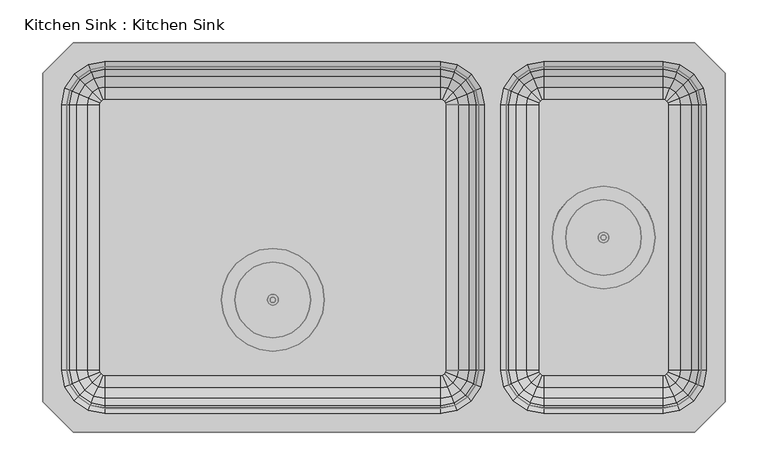
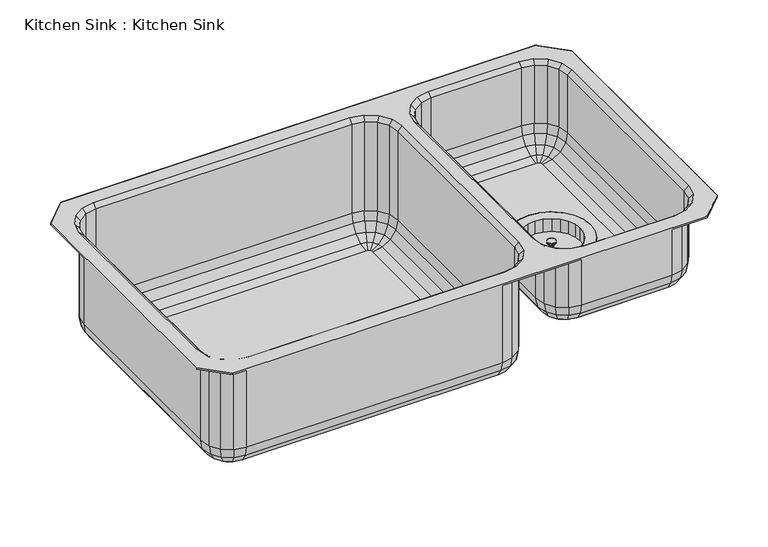
"""IFC4 building model written with IfcOpenShell, lengths in millimetres: flow terminal geometry, Kitchen Sink : Kitchen Sink."""

from ifc_helpers import new_model, si_unit, origin, place, context, project, spatial, triangles, source, transform, mapped, element, save


def kitchen_sink_kitchen_sink_0b4e4ec1(model_context):
    return source(origin(), model_context, "Body", "Tessellation", [
        triangles([(660.5270514, 228.5999818, 63.4999985), (660.5270514, 228.5999818, 50.8000015), (660.4188457, 227.7782297, 50.8000015), (660.4188457, 227.7782297, 63.4999985), (701.8020029, 228.5999818, 50.8000015), (701.8020029, 228.5999818, 71.4375), (700.2874151, 217.0954697, 71.4375), (700.2874151, 217.0954697, 50.8000015), (660.1016413, 227.0124697, 50.8000015), (660.1016413, 227.0124697, 63.4999985), (695.8468431, 206.3749758, 71.4375), (695.8468431, 206.3749758, 50.8000015), (659.5970936, 226.3549154, 50.8000015), (659.5970936, 226.3549154, 63.4999985), (688.7829575, 197.1690697, 71.4375), (688.7829575, 197.1690697, 50.8000015), (658.9395029, 225.8503495, 50.8000015), (658.9395029, 225.8503495, 63.4999985), (679.5770514, 190.1051476, 71.4375), (679.5770514, 190.1051476, 50.8000015), (658.1737793, 225.5331632, 50.8000015), (658.1737793, 225.5331632, 63.4999985), (668.8565575, 185.6645757, 71.4375), (668.8565575, 185.6645757, 50.8000015), (657.3520271, 225.4249758, 50.8000015), (657.3520271, 225.4249758, 63.4999985), (657.3520271, 184.1499697, 71.4375), (657.3520271, 184.1499697, 50.8000015), (656.530275, 225.5331632, 50.8000015), (656.530275, 225.5331632, 63.4999985), (645.8474968, 185.6645757, 71.4375), (645.8474968, 185.6645757, 50.8000015), (655.7645514, 225.8503495, 50.8000015), (655.7645514, 225.8503495, 63.4999985), (635.1270029, 190.1051476, 71.4375), (635.1270029, 190.1051476, 50.8000015), (655.1069607, 226.3549154, 50.8000015), (655.1069607, 226.3549154, 63.4999985), (625.9210968, 197.1690697, 71.4375), (625.9210968, 197.1690697, 50.8000015), (654.602413, 227.0124697, 50.8000015), (654.602413, 227.0124697, 63.4999985), (618.8572111, 206.3749758, 71.4375), (618.8572111, 206.3749758, 50.8000015), (654.2852085, 227.7782297, 50.8000015), (654.2852085, 227.7782297, 63.4999985), (614.4166391, 217.0954697, 71.4375), (614.4166391, 217.0954697, 50.8000015), (654.1770029, 228.5999818, 50.8000015), (654.1770029, 228.5999818, 63.4999985), (612.9020514, 228.5999818, 71.4375), (612.9020514, 228.5999818, 50.8000015), (654.2852085, 229.421734, 50.8000015), (654.2852085, 229.421734, 63.4999985), (614.4166391, 240.1044758, 71.4375), (614.4166391, 240.1044758, 50.8000015), (654.602413, 230.1874758, 50.8000015), (654.602413, 230.1874758, 63.4999985), (618.8572111, 250.8249697, 71.4375), (618.8572111, 250.8249697, 50.8000015), (655.1069607, 230.8450301, 50.8000015), (655.1069607, 230.8450301, 63.4999985), (625.9210968, 260.0308758, 71.4375), (625.9210968, 260.0308758, 50.8000015), (655.7645514, 231.3496141, 50.8000015), (655.7645514, 231.3496141, 63.4999985), (635.1270029, 267.0947978, 71.4375), (635.1270029, 267.0947978, 50.8000015), (656.530275, 231.6667823, 50.8000015), (656.530275, 231.6667823, 63.4999985), (645.8474968, 271.5353698, 71.4375), (645.8474968, 271.5353698, 50.8000015), (657.3520271, 231.7749697, 50.8000015), (657.3520271, 231.7749697, 63.4999985), (657.3520271, 273.0499758, 71.4375), (657.3520271, 273.0499758, 50.8000015), (658.1737793, 231.6667823, 50.8000015), (658.1737793, 231.6667823, 63.4999985), (668.8565575, 271.5353698, 71.4375), (668.8565575, 271.5353698, 50.8000015), (658.9395029, 231.3496141, 50.8000015), (658.9395029, 231.3496141, 63.4999985), (679.5770514, 267.0947978, 71.4375), (679.5770514, 267.0947978, 50.8000015), (659.5970936, 230.8450301, 50.8000015), (659.5970936, 230.8450301, 63.4999985), (688.7829575, 260.0308758, 71.4375), (688.7829575, 260.0308758, 50.8000015), (660.1016413, 230.1874758, 50.8000015), (660.1016413, 230.1874758, 63.4999985), (695.8468431, 250.8249697, 71.4375), (695.8468431, 250.8249697, 50.8000015), (660.4188457, 229.421734, 50.8000015), (660.4188457, 229.421734, 63.4999985), (700.2874151, 240.1044758, 71.4375), (700.2874151, 240.1044758, 50.8000015), (599.082546, 244.2132367, 71.4375), (605.1090314, 258.7624758, 71.4375), (599.082546, 244.2132367, 69.8500015), (605.1090314, 258.7624758, 69.8500015), (614.6958372, 271.2561899, 71.4375), (700.008217, 271.2561899, 71.4375), (709.5949865, 258.7624758, 71.4375), (715.6215082, 244.2132367, 71.4375), (709.5949865, 258.7624758, 69.8500015), (715.6215082, 244.2132367, 69.8500015), (672.9653183, 286.8694448, 71.4375), (687.5145029, 280.8429594, 71.4375), (672.9653183, 286.8694448, 69.8500015), (687.5145029, 280.8429594, 69.8500015), (614.6958372, 271.2561899, 69.8500015), (627.1895514, 280.8429594, 69.8500015), (627.1895514, 280.8429594, 71.4375), (641.738736, 286.8694448, 69.8500015), (641.738736, 286.8694448, 71.4375), (657.3520271, 288.9249697, 69.8500015), (657.3520271, 288.9249697, 71.4375), (700.008217, 271.2561899, 69.8500015), (687.5145029, 176.3569861, 71.4375), (672.9653183, 170.3305007, 71.4375), (687.5145029, 176.3569861, 69.8500015), (672.9653183, 170.3305007, 69.8500015), (641.738736, 170.3305007, 71.4375), (627.1895514, 176.3569861, 71.4375), (614.6958372, 185.9437556, 71.4375), (627.1895514, 176.3569861, 69.8500015), (614.6958372, 185.9437556, 69.8500015), (663.7020029, 228.5999818, 66.675), (663.7020029, 228.5999818, 63.4999985), (663.4856644, 226.9564775, 63.4999985), (663.4856644, 226.9564775, 66.675), (662.8512554, 225.4249758, 63.4999985), (662.8512554, 225.4249758, 66.675), (661.84216, 224.1098489, 63.4999985), (661.84216, 224.1098489, 66.675), (660.5270514, 223.1007172, 63.4999985), (660.5270514, 223.1007172, 66.675), (658.9955315, 222.4663446, 63.4999985), (658.9955315, 222.4663446, 66.675), (657.3520271, 222.2499697, 63.4999985), (657.3520271, 222.2499697, 66.675), (655.7085228, 222.4663446, 63.4999985), (655.7085228, 222.4663446, 66.675), (654.1770029, 223.1007172, 63.4999985), (654.1770029, 223.1007172, 66.675), (652.8618942, 224.1098489, 63.4999985), (652.8618942, 224.1098489, 66.675), (651.8527988, 225.4249758, 63.4999985), (651.8527988, 225.4249758, 66.675), (651.2183899, 226.9564775, 63.4999985), (651.2183899, 226.9564775, 66.675), (651.0020514, 228.5999818, 63.4999985), (651.0020514, 228.5999818, 66.675), (651.2183899, 230.243468, 63.4999985), (651.2183899, 230.243468, 66.675), (651.8527988, 231.7749697, 63.4999985), (651.8527988, 231.7749697, 66.675), (652.8618942, 233.0900966, 63.4999985), (652.8618942, 233.0900966, 66.675), (654.1770029, 234.0992283, 63.4999985), (654.1770029, 234.0992283, 66.675), (655.7085228, 234.7336009, 63.4999985), (655.7085228, 234.7336009, 66.675), (657.3520271, 234.9499758, 63.4999985), (657.3520271, 234.9499758, 66.675), (658.9955315, 234.7336009, 63.4999985), (658.9955315, 234.7336009, 66.675), (660.5270514, 234.0992283, 63.4999985), (660.5270514, 234.0992283, 66.675), (661.84216, 233.0900966, 63.4999985), (661.84216, 233.0900966, 66.675), (662.8512554, 231.7749697, 63.4999985), (662.8512554, 231.7749697, 66.675), (663.4856644, 230.243468, 63.4999985), (663.4856644, 230.243468, 66.675), (657.3520271, 228.5999818, 66.675), (605.1090314, 198.4374697, 71.4375), (605.1090314, 198.4374697, 69.8500015), (599.082546, 212.9867088, 71.4375), (597.0270392, 228.5999818, 71.4375), (599.082546, 212.9867088, 69.8500015), (597.0270392, 228.5999818, 69.8500015), (657.3520271, 168.2749758, 69.8500015), (657.3520271, 168.2749758, 71.4375), (641.738736, 170.3305007, 69.8500015), (700.008217, 185.9437556, 71.4375), (700.008217, 185.9437556, 69.8500015), (717.6770514, 228.5999818, 71.4375), (715.6215082, 212.9867088, 71.4375), (717.6770514, 228.5999818, 69.8500015), (715.6215082, 212.9867088, 69.8500015), (709.5949865, 198.4374697, 69.8500015), (709.5949865, 198.4374697, 71.4375), (272.9230031, 155.4479789, 12.7000004), (272.9230031, 155.4479789, 0.0), (272.8148157, 154.6262268, 0.0), (272.8148157, 154.6262268, 12.7000004), (314.1980092, 155.4479789, 0.0), (314.1980092, 155.4479789, 20.6375008), (312.6833851, 143.9434668, 20.6375008), (312.6833851, 143.9434668, 0.0), (272.4976294, 153.8604668, 0.0), (272.4976294, 153.8604668, 12.7000004), (308.2428131, 133.2229729, 20.6375008), (308.2428131, 133.2229729, 0.0), (271.9930635, 153.2029125, 0.0), (271.9930635, 153.2029125, 12.7000004), (301.1788911, 124.0170758, 20.6375008), (301.1788911, 124.0170758, 0.0), (271.335491, 152.6983466, 0.0), (271.335491, 152.6983466, 12.7000004), (291.9730031, 116.9531447, 20.6375008), (291.9730031, 116.9531447, 0.0), (270.5697493, 152.3811603, 0.0), (270.5697493, 152.3811603, 12.7000004), (281.2525093, 112.5125728, 20.6375008), (281.2525093, 112.5125728, 0.0), (269.7479971, 152.2729729, 0.0), (269.7479971, 152.2729729, 12.7000004), (269.7479971, 110.9979759, 20.6375008), (269.7479971, 110.9979759, 0.0), (268.9262449, 152.3811603, 0.0), (268.9262449, 152.3811603, 12.7000004), (258.2434849, 112.5125728, 20.6375008), (258.2434849, 112.5125728, 0.0), (268.1605031, 152.6983466, 0.0), (268.1605031, 152.6983466, 12.7000004), (247.522991, 116.9531447, 20.6375008), (247.522991, 116.9531447, 0.0), (267.5029306, 153.2029125, 0.0), (267.5029306, 153.2029125, 12.7000004), (238.3171031, 124.0170758, 20.6375008), (238.3171031, 124.0170758, 0.0), (266.9983648, 153.8604668, 0.0), (266.9983648, 153.8604668, 12.7000004), (231.2531629, 133.2229729, 20.6375008), (231.2531629, 133.2229729, 0.0), (266.6811785, 154.6262268, 0.0), (266.6811785, 154.6262268, 12.7000004), (226.8125909, 143.9434668, 20.6375008), (226.8125909, 143.9434668, 0.0), (266.572991, 155.4479789, 0.0), (266.572991, 155.4479789, 12.7000004), (225.2980031, 155.4479789, 20.6375008), (225.2980031, 155.4479789, 0.0), (266.6811785, 156.2697311, 0.0), (266.6811785, 156.2697311, 12.7000004), (226.8125909, 166.9524729, 20.6375008), (226.8125909, 166.9524729, 0.0), (266.9983648, 157.0354729, 0.0), (266.9983648, 157.0354729, 12.7000004), (231.2531629, 177.6729668, 20.6375008), (231.2531629, 177.6729668, 0.0), (267.5029306, 157.6930454, 0.0), (267.5029306, 157.6930454, 12.7000004), (238.3171031, 186.8788729, 20.6375008), (238.3171031, 186.8788729, 0.0), (268.1605031, 158.1976112, 0.0), (268.1605031, 158.1976112, 12.7000004), (247.522991, 193.9427949, 20.6375008), (247.522991, 193.9427949, 0.0), (268.9262449, 158.5147975, 0.0), (268.9262449, 158.5147975, 12.7000004), (258.2434849, 198.3833851, 20.6375008), (258.2434849, 198.3833851, 0.0), (269.7479971, 158.6229668, 0.0), (269.7479971, 158.6229668, 12.7000004), (269.7479971, 199.8979729, 20.6375008), (269.7479971, 199.8979729, 0.0), (270.5697493, 158.5147975, 0.0), (270.5697493, 158.5147975, 12.7000004), (281.2525093, 198.3833851, 20.6375008), (281.2525093, 198.3833851, 0.0), (271.335491, 158.1976112, 0.0), (271.335491, 158.1976112, 12.7000004), (291.9730031, 193.9427949, 20.6375008), (291.9730031, 193.9427949, 0.0), (271.9930635, 157.6930454, 0.0), (271.9930635, 157.6930454, 12.7000004), (301.1788911, 186.8788729, 20.6375008), (301.1788911, 186.8788729, 0.0), (272.4976294, 157.0354729, 0.0), (272.4976294, 157.0354729, 12.7000004), (308.2428131, 177.6729668, 20.6375008), (308.2428131, 177.6729668, 0.0), (272.8148157, 156.2697311, 0.0), (272.8148157, 156.2697311, 12.7000004), (312.6833851, 166.9524729, 20.6375008), (312.6833851, 166.9524729, 0.0), (211.478516, 171.0612338, 20.6375008), (217.5050195, 185.6104729, 20.6375008), (211.478516, 171.0612338, 19.05), (217.5050195, 185.6104729, 19.05), (227.091789, 198.104187, 20.6375008), (312.4042233, 198.104187, 20.6375008), (321.9909928, 185.6104729, 20.6375008), (328.0174782, 171.0612338, 20.6375008), (321.9909928, 185.6104729, 19.05), (328.0174782, 171.0612338, 19.05), (285.3612519, 213.7174418, 20.6375008), (299.910491, 207.6909565, 20.6375008), (285.3612519, 213.7174418, 19.05), (299.910491, 207.6909565, 19.05), (227.091789, 198.104187, 19.05), (239.5855031, 207.6909565, 19.05), (239.5855031, 207.6909565, 20.6375008), (254.1347423, 213.7174418, 19.05), (254.1347423, 213.7174418, 20.6375008), (269.7479971, 215.7729668, 19.05), (269.7479971, 215.7729668, 20.6375008), (312.4042233, 198.104187, 19.05), (299.910491, 103.2049923, 20.6375008), (285.3612519, 97.1784978, 20.6375008), (299.910491, 103.2049923, 19.05), (285.3612519, 97.1784978, 19.05), (254.1347423, 97.1784978, 20.6375008), (239.5855031, 103.2049923, 20.6375008), (227.091789, 112.7917618, 20.6375008), (239.5855031, 103.2049923, 19.05), (227.091789, 112.7917618, 19.05), (276.097991, 155.4479789, 15.8749996), (276.097991, 155.4479789, 12.7000004), (275.8816343, 153.8044746, 12.7000004), (275.8816343, 153.8044746, 15.8749996), (275.2472617, 152.2729729, 12.7000004), (275.2472617, 152.2729729, 15.8749996), (274.23813, 150.957846, 12.7000004), (274.23813, 150.957846, 15.8749996), (272.9230031, 149.9487143, 12.7000004), (272.9230031, 149.9487143, 15.8749996), (271.3915014, 149.3143417, 12.7000004), (271.3915014, 149.3143417, 15.8749996), (269.7479971, 149.0979759, 12.7000004), (269.7479971, 149.0979759, 15.8749996), (268.1044928, 149.3143417, 12.7000004), (268.1044928, 149.3143417, 15.8749996), (266.572991, 149.9487143, 12.7000004), (266.572991, 149.9487143, 15.8749996), (265.2578642, 150.957846, 12.7000004), (265.2578642, 150.957846, 15.8749996), (264.2487325, 152.2729729, 12.7000004), (264.2487325, 152.2729729, 15.8749996), (263.614378, 153.8044746, 12.7000004), (263.614378, 153.8044746, 15.8749996), (263.3980031, 155.4479789, 12.7000004), (263.3980031, 155.4479789, 15.8749996), (263.614378, 157.0914833, 12.7000004), (263.614378, 157.0914833, 15.8749996), (264.2487325, 158.6229668, 12.7000004), (264.2487325, 158.6229668, 15.8749996), (265.2578642, 159.9380937, 12.7000004), (265.2578642, 159.9380937, 15.8749996), (266.572991, 160.9472435, 12.7000004), (266.572991, 160.9472435, 15.8749996), (268.1044928, 161.581598, 12.7000004), (268.1044928, 161.581598, 15.8749996), (269.7479971, 161.7979729, 12.7000004), (269.7479971, 161.7979729, 15.8749996), (271.3915014, 161.581598, 12.7000004), (271.3915014, 161.581598, 15.8749996), (272.9230031, 160.9472435, 12.7000004), (272.9230031, 160.9472435, 15.8749996), (274.23813, 159.9380937, 12.7000004), (274.23813, 159.9380937, 15.8749996), (275.2472617, 158.6229668, 12.7000004), (275.2472617, 158.6229668, 15.8749996), (275.8816343, 157.0914833, 12.7000004), (275.8816343, 157.0914833, 15.8749996), (269.7479971, 155.4479789, 15.8749996), (217.5050195, 125.2854759, 20.6375008), (217.5050195, 125.2854759, 19.05), (211.478516, 139.834715, 20.6375008), (209.422991, 155.4479789, 20.6375008), (211.478516, 139.834715, 19.05), (209.422991, 155.4479789, 19.05), (269.7479971, 95.1229729, 19.05), (269.7479971, 95.1229729, 20.6375008), (254.1347423, 97.1784978, 19.05), (312.4042233, 112.7917618, 20.6375008), (312.4042233, 112.7917618, 19.05), (330.072985, 155.4479789, 20.6375008), (328.0174782, 139.834715, 20.6375008), (330.072985, 155.4479789, 19.05), (328.0174782, 139.834715, 19.05), (321.9909928, 125.2854759, 19.05), (321.9909928, 125.2854759, 20.6375008)], [[2, 1, 3], [3, 1, 4], [6, 8, 7], [6, 5, 8], [3, 4, 9], [9, 4, 10], [7, 12, 11], [7, 8, 12], [9, 10, 13], [13, 10, 14], [11, 16, 15], [11, 12, 16], [13, 14, 17], [17, 14, 18], [15, 20, 19], [15, 16, 20], [17, 18, 21], [21, 18, 22], [19, 24, 23], [19, 20, 24], [21, 22, 25], [25, 22, 26], [23, 28, 27], [23, 24, 28], [25, 26, 29], [29, 26, 30], [27, 32, 31], [27, 28, 32], [29, 30, 33], [33, 30, 34], [31, 36, 35], [31, 32, 36], [33, 34, 37], [37, 34, 38], [35, 40, 39], [35, 36, 40], [37, 38, 41], [41, 38, 42], [39, 44, 43], [39, 40, 44], [41, 42, 45], [45, 42, 46], [43, 48, 47], [43, 44, 48], [45, 50, 49], [45, 46, 50], [47, 52, 51], [47, 48, 52], [49, 54, 53], [49, 50, 54], [51, 56, 55], [51, 52, 56], [53, 58, 57], [53, 54, 58], [55, 60, 59], [55, 56, 60], [57, 62, 61], [57, 58, 62], [59, 64, 63], [59, 60, 64], [61, 66, 65], [61, 62, 66], [63, 68, 67], [63, 64, 68], [65, 70, 69], [65, 66, 70], [67, 72, 71], [67, 68, 72], [69, 74, 73], [69, 70, 74], [71, 76, 75], [71, 72, 76], [73, 78, 77], [73, 74, 78], [75, 80, 79], [75, 76, 80], [77, 82, 81], [77, 78, 82], [79, 84, 83], [79, 80, 84], [81, 86, 85], [81, 82, 86], [83, 88, 87], [83, 84, 88], [85, 90, 89], [85, 86, 90], [87, 92, 91], [87, 88, 92], [89, 94, 93], [89, 90, 94], [91, 92, 95], [95, 92, 96], [93, 94, 2], [2, 94, 1], [95, 5, 6], [95, 96, 5], [60, 61, 64], [60, 57, 61], [64, 65, 68], [64, 61, 65], [68, 69, 72], [68, 65, 69], [72, 73, 76], [72, 69, 73], [76, 77, 80], [76, 73, 77], [80, 81, 84], [80, 77, 81], [84, 85, 88], [84, 81, 85], [88, 89, 92], [88, 85, 89], [5, 3, 8], [5, 2, 3], [8, 9, 12], [8, 3, 9], [12, 13, 16], [12, 9, 13], [16, 17, 20], [16, 13, 17], [20, 21, 24], [20, 17, 21], [92, 93, 96], [92, 89, 93], [96, 2, 5], [96, 93, 2], [24, 21, 28], [28, 21, 25], [28, 25, 32], [32, 25, 29], [32, 29, 36], [36, 29, 33], [36, 33, 40], [40, 33, 37], [40, 37, 44], [44, 37, 41], [44, 45, 48], [44, 41, 45], [48, 49, 52], [48, 45, 49], [52, 53, 56], [52, 49, 53], [56, 57, 60], [56, 53, 57], [97, 59, 98], [97, 55, 59], [99, 98, 100], [99, 97, 98], [98, 63, 101], [98, 59, 63], [102, 87, 103], [103, 87, 91], [103, 95, 104], [103, 91, 95], [105, 104, 106], [105, 103, 104], [107, 83, 108], [107, 79, 83], [109, 108, 110], [109, 107, 108], [100, 101, 111], [100, 98, 101], [111, 113, 112], [111, 101, 113], [112, 115, 114], [112, 113, 115], [114, 117, 116], [114, 115, 117], [116, 107, 109], [116, 117, 107], [113, 71, 115], [113, 67, 71], [115, 75, 117], [115, 71, 75], [101, 67, 113], [101, 63, 67], [117, 79, 107], [117, 75, 79], [110, 102, 118], [110, 108, 102], [118, 103, 105], [118, 102, 103], [108, 83, 102], [102, 83, 87], [119, 23, 120], [119, 19, 23], [121, 119, 122], [122, 119, 120], [123, 31, 124], [124, 31, 35], [124, 39, 125], [124, 35, 39], [126, 125, 127], [126, 124, 125], [129, 128, 130], [130, 128, 131], [130, 131, 132], [132, 131, 133], [132, 133, 134], [134, 133, 135], [134, 135, 136], [136, 135, 137], [136, 137, 138], [138, 137, 139], [138, 139, 140], [140, 139, 141], [140, 141, 142], [142, 141, 143], [142, 143, 144], [144, 143, 145], [144, 145, 146], [146, 145, 147], [146, 147, 148], [148, 147, 149], [148, 149, 150], [150, 149, 151], [150, 153, 152], [150, 151, 153], [152, 155, 154], [152, 153, 155], [154, 157, 156], [154, 155, 157], [156, 159, 158], [156, 157, 159], [158, 161, 160], [158, 159, 161], [160, 163, 162], [160, 161, 163], [162, 165, 164], [162, 163, 165], [164, 167, 166], [164, 165, 167], [166, 169, 168], [166, 167, 169], [168, 171, 170], [168, 169, 171], [170, 173, 172], [170, 171, 173], [172, 175, 174], [172, 173, 175], [174, 175, 129], [129, 175, 128], [4, 130, 10], [10, 130, 132], [10, 132, 14], [14, 132, 134], [14, 134, 18], [18, 134, 136], [18, 136, 22], [22, 136, 138], [78, 168, 82], [78, 166, 168], [82, 170, 86], [82, 168, 170], [86, 172, 90], [86, 170, 172], [90, 174, 94], [90, 172, 174], [54, 156, 58], [54, 154, 156], [58, 158, 62], [58, 156, 158], [70, 164, 74], [70, 162, 164], [74, 166, 78], [74, 164, 166], [66, 162, 70], [66, 160, 162], [62, 160, 66], [62, 158, 160], [38, 148, 42], [38, 146, 148], [42, 148, 46], [46, 148, 150], [46, 150, 50], [50, 150, 152], [50, 154, 54], [50, 152, 154], [34, 146, 38], [34, 144, 146], [26, 142, 30], [26, 140, 142], [30, 144, 34], [30, 142, 144], [22, 140, 26], [22, 138, 140], [1, 129, 4], [4, 129, 130], [94, 129, 1], [94, 174, 129], [176, 131, 128], [176, 133, 131], [176, 135, 133], [176, 137, 135], [176, 139, 137], [176, 169, 167], [176, 171, 169], [176, 173, 171], [176, 175, 173], [176, 128, 175], [176, 157, 155], [176, 159, 157], [176, 161, 159], [176, 163, 161], [176, 165, 163], [176, 167, 165], [176, 149, 147], [176, 151, 149], [176, 153, 151], [176, 155, 153], [176, 141, 139], [176, 143, 141], [176, 145, 143], [176, 147, 145], [125, 43, 177], [125, 39, 43], [127, 177, 178], [127, 125, 177], [177, 47, 179], [177, 43, 47], [179, 51, 180], [179, 47, 51], [180, 55, 97], [180, 51, 55], [181, 180, 182], [181, 179, 180], [182, 97, 99], [182, 180, 97], [178, 179, 181], [178, 177, 179], [122, 120, 183], [183, 120, 184], [183, 123, 185], [183, 184, 123], [185, 124, 126], [185, 123, 124], [184, 27, 123], [123, 27, 31], [120, 23, 184], [184, 23, 27], [186, 19, 119], [186, 15, 19], [187, 119, 121], [187, 186, 119], [188, 7, 189], [188, 6, 7], [190, 189, 191], [190, 188, 189], [106, 188, 190], [106, 104, 188], [104, 6, 188], [104, 95, 6], [191, 193, 192], [191, 189, 193], [192, 186, 187], [192, 193, 186], [189, 11, 193], [189, 7, 11], [193, 15, 186], [193, 11, 15], [195, 197, 196], [195, 194, 197], [199, 201, 200], [199, 198, 201], [196, 203, 202], [196, 197, 203], [200, 205, 204], [200, 201, 205], [202, 207, 206], [202, 203, 207], [204, 209, 208], [204, 205, 209], [206, 211, 210], [206, 207, 211], [208, 213, 212], [208, 209, 213], [210, 215, 214], [210, 211, 215], [212, 217, 216], [212, 213, 217], [214, 219, 218], [214, 215, 219], [216, 221, 220], [216, 217, 221], [218, 223, 222], [218, 219, 223], [220, 225, 224], [220, 221, 225], [222, 227, 226], [222, 223, 227], [224, 229, 228], [224, 225, 229], [226, 231, 230], [226, 227, 231], [228, 233, 232], [228, 229, 233], [230, 235, 234], [230, 231, 235], [232, 237, 236], [232, 233, 237], [234, 239, 238], [234, 235, 239], [236, 241, 240], [236, 237, 241], [238, 243, 242], [238, 239, 243], [240, 245, 244], [240, 241, 245], [242, 247, 246], [242, 243, 247], [244, 249, 248], [244, 245, 249], [246, 251, 250], [246, 247, 251], [248, 253, 252], [248, 249, 253], [250, 255, 254], [250, 251, 255], [252, 257, 256], [252, 253, 257], [254, 259, 258], [254, 255, 259], [256, 261, 260], [256, 257, 261], [258, 263, 262], [258, 259, 263], [260, 265, 264], [260, 261, 265], [262, 267, 266], [262, 263, 267], [264, 269, 268], [264, 265, 269], [266, 271, 270], [266, 267, 271], [268, 273, 272], [268, 269, 273], [270, 275, 274], [270, 271, 275], [272, 277, 276], [272, 273, 277], [274, 279, 278], [274, 275, 279], [276, 281, 280], [276, 277, 281], [278, 283, 282], [278, 279, 283], [280, 285, 284], [280, 281, 285], [282, 287, 286], [282, 283, 287], [284, 289, 288], [284, 285, 289], [286, 194, 195], [286, 287, 194], [288, 198, 199], [288, 289, 198], [253, 254, 257], [253, 250, 254], [257, 258, 261], [257, 254, 258], [261, 262, 265], [261, 258, 262], [265, 266, 269], [265, 262, 266], [269, 270, 273], [269, 266, 270], [273, 274, 277], [273, 270, 274], [277, 278, 281], [277, 274, 278], [281, 282, 285], [281, 278, 282], [198, 196, 201], [198, 195, 196], [201, 202, 205], [201, 196, 202], [205, 206, 209], [205, 202, 206], [209, 210, 213], [209, 206, 210], [213, 214, 217], [213, 210, 214], [285, 286, 289], [285, 282, 286], [289, 195, 198], [289, 286, 195], [217, 214, 221], [221, 214, 218], [221, 218, 225], [225, 218, 222], [225, 222, 229], [229, 222, 226], [229, 226, 233], [233, 226, 230], [233, 230, 237], [237, 230, 234], [237, 238, 241], [237, 234, 238], [241, 242, 245], [241, 238, 242], [245, 246, 249], [245, 242, 246], [249, 250, 253], [249, 246, 250], [290, 252, 291], [290, 248, 252], [292, 291, 293], [292, 290, 291], [291, 256, 294], [291, 252, 256], [295, 284, 296], [295, 280, 284], [296, 288, 297], [296, 284, 288], [298, 297, 299], [298, 296, 297], [300, 272, 301], [301, 272, 276], [302, 301, 303], [302, 300, 301], [293, 294, 304], [293, 291, 294], [304, 306, 305], [304, 294, 306], [305, 308, 307], [305, 306, 308], [307, 310, 309], [307, 308, 310], [309, 300, 302], [309, 310, 300], [306, 264, 308], [306, 260, 264], [308, 268, 310], [308, 264, 268], [294, 260, 306], [294, 256, 260], [310, 272, 300], [310, 268, 272], [303, 295, 311], [303, 301, 295], [311, 296, 298], [311, 295, 296], [301, 276, 295], [295, 276, 280], [312, 216, 313], [312, 212, 216], [314, 312, 315], [315, 312, 313], [316, 224, 317], [317, 224, 228], [317, 232, 318], [317, 228, 232], [319, 318, 320], [319, 317, 318], [322, 321, 323], [323, 321, 324], [323, 324, 325], [325, 324, 326], [325, 326, 327], [327, 326, 328], [327, 328, 329], [329, 328, 330], [329, 330, 331], [331, 330, 332], [331, 332, 333], [333, 332, 334], [333, 334, 335], [335, 334, 336], [335, 336, 337], [337, 336, 338], [337, 338, 339], [339, 338, 340], [339, 340, 341], [341, 340, 342], [341, 344, 343], [341, 342, 344], [343, 346, 345], [343, 344, 346], [345, 348, 347], [345, 346, 348], [347, 350, 349], [347, 348, 350], [349, 352, 351], [349, 350, 352], [351, 354, 353], [351, 352, 354], [353, 356, 355], [353, 354, 356], [355, 358, 357], [355, 356, 358], [357, 360, 359], [357, 358, 360], [359, 362, 361], [359, 360, 362], [361, 364, 363], [361, 362, 364], [363, 366, 365], [363, 364, 366], [365, 366, 367], [367, 366, 368], [367, 368, 322], [322, 368, 321], [197, 323, 203], [203, 323, 325], [203, 325, 207], [207, 325, 327], [207, 327, 211], [211, 327, 329], [211, 331, 215], [211, 329, 331], [271, 361, 275], [271, 359, 361], [275, 363, 279], [275, 361, 363], [279, 365, 283], [279, 363, 365], [283, 367, 287], [283, 365, 367], [247, 349, 251], [247, 347, 349], [251, 351, 255], [251, 349, 351], [263, 357, 267], [263, 355, 357], [267, 359, 271], [267, 357, 359], [259, 355, 263], [259, 353, 355], [255, 353, 259], [255, 351, 353], [231, 341, 235], [231, 339, 341], [235, 341, 239], [239, 341, 343], [239, 345, 243], [239, 343, 345], [243, 347, 247], [243, 345, 347], [227, 339, 231], [227, 337, 339], [219, 335, 223], [219, 333, 335], [223, 337, 227], [223, 335, 337], [215, 333, 219], [215, 331, 333], [194, 322, 197], [197, 322, 323], [287, 367, 194], [194, 367, 322], [369, 324, 321], [369, 326, 324], [369, 328, 326], [369, 330, 328], [369, 332, 330], [369, 362, 360], [369, 364, 362], [369, 366, 364], [369, 368, 366], [369, 321, 368], [369, 350, 348], [369, 352, 350], [369, 354, 352], [369, 356, 354], [369, 358, 356], [369, 360, 358], [369, 342, 340], [369, 344, 342], [369, 346, 344], [369, 348, 346], [369, 334, 332], [369, 336, 334], [369, 338, 336], [369, 340, 338], [318, 236, 370], [318, 232, 236], [320, 370, 371], [320, 318, 370], [370, 240, 372], [370, 236, 240], [372, 244, 373], [372, 240, 244], [373, 248, 290], [373, 244, 248], [374, 373, 375], [374, 372, 373], [375, 290, 292], [375, 373, 290], [371, 372, 374], [371, 370, 372], [315, 313, 376], [376, 313, 377], [376, 377, 378], [378, 377, 316], [378, 316, 319], [319, 316, 317], [377, 220, 316], [316, 220, 224], [313, 216, 377], [377, 216, 220], [379, 212, 312], [379, 208, 212], [380, 379, 314], [314, 379, 312], [381, 200, 382], [381, 199, 200], [383, 381, 384], [384, 381, 382], [299, 381, 383], [299, 297, 381], [297, 199, 381], [297, 288, 199], [384, 382, 385], [385, 382, 386], [385, 386, 380], [380, 386, 379], [382, 204, 386], [382, 200, 204], [386, 208, 379], [386, 204, 208]], closed=False),
        triangles([(72.8980259, 428.7519908, 57.15), (72.8980259, 425.8518044, 42.5697671), (56.9975747, 422.6889888, 42.5697671), (55.8877224, 425.3684037, 57.15), (546.4355779, 401.3122413, 107.949997), (549.1149928, 400.202389, 93.3697641), (545.9521771, 384.3019787, 93.3697641), (543.0520271, 384.3019787, 107.949997), (28.4480251, 72.8979759, 57.15), (31.3481978, 72.8979759, 42.5697671), (34.5109544, 56.9975248, 42.5697671), (31.8315599, 55.8877224, 57.15), (543.0520271, 72.8979759, 107.949997), (545.9521771, 72.8979759, 93.3697641), (549.1149928, 56.9975248, 93.3697641), (546.4355779, 55.8877224, 107.949997), (768.2684401, 55.8877224, 107.949997), (765.5890251, 56.9975248, 93.3697641), (768.7517681, 72.8979759, 93.3697641), (771.6520271, 72.8979759, 107.949997), (727.2020514, 28.4479751, 107.949997), (727.2020514, 31.3481728, 93.3697641), (743.102389, 34.5109794, 93.3697641), (744.2122776, 31.831535, 107.949997), (507.6644342, 55.8877224, 57.15), (504.9850193, 56.9975248, 42.5697671), (508.1478713, 72.8979759, 42.5697671), (511.0480213, 72.8979759, 57.15), (727.2020514, 428.7519908, 201.6760075), (727.2020514, 435.1019666, 208.0260015), (746.6422892, 431.2350514, 208.0260015), (744.2122776, 425.3684037, 201.6760075), (763.1230419, 420.2230056, 208.0260015), (758.632909, 415.7328727, 201.6760075), (774.1350878, 403.7422892, 208.0260015), (768.2684401, 401.3122413, 201.6760075), (778.0020029, 384.3019787, 208.0260015), (771.6520271, 384.3019787, 201.6760075), (587.5020392, 28.4479751, 201.6760075), (587.5020392, 22.0979744, 208.0260015), (568.0616924, 25.9648963, 208.0260015), (570.491704, 31.831535, 201.6760075), (551.5810123, 36.9769649, 208.0260015), (556.0711089, 41.4670728, 201.6760075), (540.5689301, 53.4576291, 208.0260015), (546.4355779, 55.8877224, 201.6760075), (536.702015, 72.8979759, 208.0260015), (543.0520271, 72.8979759, 201.6760075), (771.6520271, 72.8979759, 201.6760075), (778.0020029, 72.8979759, 208.0260015), (774.1350878, 53.4576291, 208.0260015), (768.2684401, 55.8877224, 201.6760075), (763.1230419, 36.9769649, 208.0260015), (758.632909, 41.4670728, 201.6760075), (746.6422892, 25.9648963, 208.0260015), (744.2122776, 31.831535, 201.6760075), (727.2020514, 22.0979744, 208.0260015), (727.2020514, 28.4479751, 201.6760075), (543.0520271, 384.3019787, 201.6760075), (536.702015, 384.3019787, 208.0260015), (540.5689301, 403.7422892, 208.0260015), (546.4355779, 401.3122413, 201.6760075), (551.5810123, 420.2230056, 208.0260015), (556.0711089, 415.7328727, 201.6760075), (568.0616924, 431.2350514, 208.0260015), (570.491704, 425.3684037, 201.6760075), (587.5020392, 435.1019666, 208.0260015), (587.5020392, 428.7519908, 201.6760075), (486.0382833, 431.2350514, 208.0260015), (483.6082355, 425.3684037, 201.6760075), (466.5980092, 428.7519908, 201.6760075), (466.5980092, 435.1019666, 208.0260015), (502.5190361, 420.2230056, 208.0260015), (498.0289032, 415.7328727, 201.6760075), (513.5311183, 403.7422892, 208.0260015), (507.6644342, 401.3122413, 201.6760075), (517.3980334, 384.3019787, 208.0260015), (511.0480213, 384.3019787, 201.6760075), (53.4577018, 25.9648963, 208.0260015), (55.8877224, 31.831535, 201.6760075), (72.8980259, 28.4479751, 201.6760075), (72.8980259, 22.0979744, 208.0260015), (36.9769899, 36.9769649, 208.0260015), (41.4671001, 41.4670728, 201.6760075), (25.9649213, 53.4576291, 208.0260015), (31.8315599, 55.8877224, 201.6760075), (22.0980243, 72.8979759, 208.0260015), (28.4480251, 72.8979759, 201.6760075), (513.5311183, 53.4576291, 208.0260015), (507.6644342, 55.8877224, 201.6760075), (511.0480213, 72.8979759, 201.6760075), (517.3980334, 72.8979759, 208.0260015), (502.5190361, 36.9769649, 208.0260015), (498.0289032, 41.4670728, 201.6760075), (486.0382833, 25.9648963, 208.0260015), (483.6082355, 31.831535, 201.6760075), (466.5980092, 22.0979744, 208.0260015), (466.5980092, 28.4479751, 201.6760075), (25.9649213, 403.7422892, 208.0260015), (31.8315599, 401.3122413, 201.6760075), (28.4480251, 384.3019787, 201.6760075), (22.0980243, 384.3019787, 208.0260015), (36.9769899, 420.2230056, 208.0260015), (41.4671001, 415.7328727, 201.6760075), (53.4577018, 431.2350514, 208.0260015), (55.8877224, 425.3684037, 201.6760075), (72.8980259, 435.1019666, 208.0260015), (72.8980259, 428.7519908, 201.6760075), (558.1218558, 413.6821258, 93.3697641), (556.0711089, 415.7328727, 107.949997), (571.6015926, 422.6889888, 93.3697641), (570.491704, 425.3684037, 107.949997), (556.7453047, 397.0417897, 81.0092359), (554.2111934, 384.3019787, 81.0092359), (563.9619063, 407.8421116, 81.0092359), (574.7621919, 415.0586406, 81.0092359), (587.5020392, 417.5927519, 81.0092359), (587.5020392, 425.8518044, 93.3697641), (568.1649928, 392.3116279, 72.7501969), (566.5717761, 384.3019787, 72.7501969), (572.7021069, 399.1019111, 72.7501969), (579.4923901, 403.6389888, 72.7501969), (587.5020392, 405.2322055, 72.7501969), (583.0119063, 388.7921116, 69.8500015), (581.6353552, 386.7320266, 69.8500015), (585.0719913, 390.1686264, 69.8500015), (587.5020392, 428.7519908, 107.949997), (581.1520271, 384.3019787, 69.8500015), (587.5020392, 390.6519908, 69.8500015), (581.2740037, 385.5408202, 69.8500015), (582.2221653, 387.829852, 69.8500015), (583.9741296, 389.5818163, 69.8500015), (586.2631977, 390.5299779, 69.8500015), (756.5821621, 413.6821258, 93.3697641), (743.102389, 422.6889888, 93.3697641), (744.2122776, 425.3684037, 107.949997), (758.632909, 415.7328727, 107.949997), (765.5890251, 400.202389, 93.3697641), (768.2684401, 401.3122413, 107.949997), (739.9418261, 415.0586406, 81.0092359), (727.2020514, 417.5927519, 81.0092359), (727.2020514, 425.8518044, 93.3697641), (750.7421843, 407.8421116, 81.0092359), (757.9586769, 397.0417897, 81.0092359), (760.4927519, 384.3019787, 81.0092359), (768.7517681, 384.3019787, 93.3697641), (735.2116642, 403.6389888, 72.7501969), (727.2020514, 405.2322055, 72.7501969), (742.0019474, 399.1019111, 72.7501969), (746.5390251, 392.3116279, 72.7501969), (748.1323145, 384.3019787, 72.7501969), (731.6921843, 388.7921116, 69.8500015), (729.6320629, 390.1686264, 69.8500015), (733.0686264, 386.7320266, 69.8500015), (727.2020514, 428.7519908, 107.949997), (771.6520271, 384.3019787, 107.949997), (727.2020514, 390.6519908, 69.8500015), (733.5520271, 384.3019787, 69.8500015), (728.4408566, 390.5299779, 69.8500015), (730.7298883, 389.5818163, 69.8500015), (732.4818163, 387.829852, 69.8500015), (733.4300142, 385.5408202, 69.8500015), (558.1218558, 43.517847, 93.3697641), (571.6015926, 34.5109794, 93.3697641), (570.491704, 31.831535, 107.949997), (556.0711089, 41.4670728, 107.949997), (574.7621919, 42.1413185, 81.0092359), (587.5020392, 39.6072118, 81.0092359), (587.5020392, 31.3481728, 93.3697641), (563.9619063, 49.3578884, 81.0092359), (556.7453047, 60.1581467, 81.0092359), (554.2111934, 72.8979759, 81.0092359), (579.4923901, 53.5609794, 72.7501969), (587.5020392, 51.9677673, 72.7501969), (572.7021069, 58.0981071, 72.7501969), (568.1649928, 64.8883403, 72.7501969), (566.5717761, 72.8979759, 72.7501969), (583.0119063, 68.4078884, 69.8500015), (585.0719913, 67.03131, 69.8500015), (581.6353552, 70.4679325, 69.8500015), (587.5020392, 28.4479751, 107.949997), (587.5020392, 66.5479729, 69.8500015), (581.1520271, 72.8979759, 69.8500015), (586.2631977, 66.6699949, 69.8500015), (583.9741296, 67.6181519, 69.8500015), (582.2221653, 69.3701434, 69.8500015), (581.2740037, 71.6591934, 69.8500015), (756.5821621, 43.517847, 93.3697641), (758.632909, 41.4670728, 107.949997), (757.9586769, 60.1581467, 81.0092359), (760.4927519, 72.8979759, 81.0092359), (750.7421843, 49.3578884, 81.0092359), (739.9418261, 42.1413185, 81.0092359), (727.2020514, 39.6072118, 81.0092359), (746.5390251, 64.8883403, 72.7501969), (748.1323145, 72.8979759, 72.7501969), (742.0019474, 58.0981071, 72.7501969), (735.2116642, 53.5609794, 72.7501969), (727.2020514, 51.9677673, 72.7501969), (731.6921843, 68.4078884, 69.8500015), (733.0686264, 70.4679325, 69.8500015), (729.6320629, 67.03131, 69.8500015), (733.5520271, 72.8979759, 69.8500015), (727.2020514, 66.5479729, 69.8500015), (733.4300142, 71.6591934, 69.8500015), (732.4818163, 69.3701434, 69.8500015), (730.7298883, 67.6181519, 69.8500015), (728.4408566, 66.6699949, 69.8500015), (714.5020271, 228.5999818, 69.8500015), (710.1517113, 250.4703402, 69.8500015), (697.7631506, 269.0111416, 69.8500015), (679.2224218, 281.3996841, 69.8500015), (657.3520271, 285.7499818, 69.8500015), (635.4816324, 281.3996841, 69.8500015), (616.9409037, 269.0111416, 69.8500015), (604.5522703, 250.4703402, 69.8500015), (600.2020271, 228.5999818, 69.8500015), (604.5522703, 206.7296416, 69.8500015), (616.9409037, 188.188822, 69.8500015), (710.1517113, 206.7296416, 69.8500015), (635.4816324, 175.8002614, 69.8500015), (657.3520271, 171.4499818, 69.8500015), (679.2224218, 175.8002614, 69.8500015), (697.7631506, 188.188822, 69.8500015), (43.517847, 413.6821258, 42.5697671), (34.5109544, 400.202389, 42.5697671), (31.8315599, 401.3122413, 57.15), (41.4671001, 415.7328727, 57.15), (42.1413413, 397.0417897, 30.2092366), (39.6072345, 384.3019787, 30.2092366), (31.3481978, 384.3019787, 42.5697671), (49.3578884, 407.8421116, 30.2092366), (60.1581739, 415.0586406, 30.2092366), (72.8980259, 417.5927519, 30.2092366), (53.5609567, 392.3116279, 21.9501977), (51.9677673, 384.3019787, 21.9501977), (58.0980798, 399.1019111, 21.9501977), (64.8883631, 403.6389888, 21.9501977), (72.8980259, 405.2322055, 21.9501977), (68.4078884, 388.7921116, 19.05), (67.03136, 386.7320266, 19.05), (70.4679825, 390.1686264, 19.05), (28.4480251, 384.3019787, 57.15), (66.5480274, 384.3019787, 19.05), (72.8980259, 390.6519908, 19.05), (66.6700221, 385.5408202, 19.05), (67.6181792, 387.829852, 19.05), (69.3701162, 389.5818163, 19.05), (71.6591934, 390.5299779, 19.05), (495.9781563, 413.6821258, 42.5697671), (482.4984558, 422.6889888, 42.5697671), (483.6082355, 425.3684037, 57.15), (498.0289032, 415.7328727, 57.15), (504.9850193, 400.202389, 42.5697671), (507.6644342, 401.3122413, 57.15), (479.3378202, 415.0586406, 30.2092366), (466.5980092, 417.5927519, 30.2092366), (466.5980092, 425.8518044, 42.5697671), (490.1381421, 407.8421116, 30.2092366), (497.3546711, 397.0417897, 30.2092366), (499.8888187, 384.3019787, 30.2092366), (508.1478713, 384.3019787, 42.5697671), (474.6076584, 403.6389888, 21.9501977), (466.5980092, 405.2322055, 21.9501977), (481.3979416, 399.1019111, 21.9501977), (485.9350193, 392.3116279, 21.9501977), (487.5282723, 384.3019787, 21.9501977), (471.0881421, 388.7921116, 19.05), (469.0280571, 390.1686264, 19.05), (472.4646569, 386.7320266, 19.05), (466.5980092, 428.7519908, 57.15), (511.0480213, 384.3019787, 57.15), (466.5980092, 390.6519908, 19.05), (472.9480213, 384.3019787, 19.05), (480.3809252, 384.3019787, 19.7820797), (467.8368507, 390.5299779, 19.05), (470.1259189, 389.5818163, 19.05), (471.8778105, 387.829852, 19.05), (472.8260448, 385.5408202, 19.05), (43.517847, 43.517847, 42.5697671), (56.9975747, 34.5109794, 42.5697671), (55.8877224, 31.831535, 57.15), (41.4671001, 41.4670728, 57.15), (60.1581739, 42.1413185, 30.2092366), (72.8980259, 39.6072118, 30.2092366), (72.8980259, 31.3481728, 42.5697671), (49.3578884, 49.3578884, 30.2092366), (42.1413413, 60.1581467, 30.2092366), (39.6072345, 72.8979759, 30.2092366), (64.8883631, 53.5609794, 21.9501977), (72.8980259, 51.9677673, 21.9501977), (58.0980798, 58.0981071, 21.9501977), (53.5609567, 64.8883403, 21.9501977), (51.9677673, 72.8979759, 21.9501977), (68.4078884, 68.4078884, 19.05), (70.4679825, 67.03131, 19.05), (67.03136, 70.4679325, 19.05), (72.8980259, 28.4479751, 57.15), (72.8980259, 66.5479729, 19.05), (66.5480274, 72.8979759, 19.05), (71.6591934, 66.6699949, 19.05), (69.3701162, 67.6181519, 19.05), (67.6181792, 69.3701434, 19.05), (66.6700221, 71.6591934, 19.05), (495.9781563, 43.517847, 42.5697671), (498.0289032, 41.4670728, 57.15), (482.4984558, 34.5109794, 42.5697671), (483.6082355, 31.831535, 57.15), (497.3546711, 60.1581467, 30.2092366), (499.8888187, 72.8979759, 30.2092366), (490.1381421, 49.3578884, 30.2092366), (479.3378202, 42.1413185, 30.2092366), (466.5980092, 39.6072118, 30.2092366), (466.5980092, 31.3481728, 42.5697671), (485.9350193, 64.8883403, 21.9501977), (487.5282723, 72.8979759, 21.9501977), (481.3979416, 58.0981071, 21.9501977), (474.6076584, 53.5609794, 21.9501977), (466.5980092, 51.9677673, 21.9501977), (471.0881421, 68.4078884, 19.05), (472.4646569, 70.4679325, 19.05), (469.0280571, 67.03131, 19.05), (466.5980092, 28.4479751, 57.15), (472.9480213, 72.8979759, 19.05), (480.3809252, 72.8979759, 19.7820797), (466.5980092, 66.5479729, 19.05), (472.8260448, 71.6591934, 19.05), (471.8778105, 69.3701434, 19.05), (470.1259189, 67.6181519, 19.05), (467.8368507, 66.6699949, 19.05), (322.5477176, 177.3183373, 19.05), (326.8979971, 155.4479789, 19.05), (310.1591569, 195.8591387, 19.05), (291.6183736, 208.2476994, 19.05), (269.7479971, 212.5979789, 19.05), (247.8776569, 208.2476994, 19.05), (229.3368555, 195.8591387, 19.05), (216.9482766, 177.3183373, 19.05), (212.5979971, 155.4479789, 19.05), (216.9482766, 133.5776387, 19.05), (322.5477176, 133.5776387, 19.05), (229.3368555, 115.0368282, 19.05), (247.8776569, 102.6482312, 19.05), (269.7479971, 98.2979789, 19.05), (310.1591569, 115.0368282, 19.05), (291.6183736, 102.6482312, 19.05), (0.0, 421.6399612, 205.4860039), (0.0, 421.6399612, 208.0260015), (0.0, 35.5599752, 208.0260015), (0.0, 35.5599752, 205.4860039), (35.5600002, 0.0, 208.0260015), (35.5600002, 0.0, 205.4860039), (764.5400339, 0.0, 208.0260015), (764.5400339, 0.0, 205.4860039), (800.1000727, 35.5599752, 205.4860039), (800.1000727, 35.5599752, 208.0260015), (800.1000727, 421.6399612, 208.0260015), (800.1000727, 421.6399612, 205.4860039), (764.5400339, 457.1999637, 208.0260015), (764.5400339, 457.1999637, 205.4860039), (35.5600002, 457.1999637, 205.4860039), (35.5600002, 457.1999637, 208.0260015)], [[2, 1, 3], [3, 1, 4], [6, 8, 7], [6, 5, 8], [10, 9, 11], [11, 9, 12], [14, 16, 15], [14, 13, 16], [18, 20, 19], [18, 17, 20], [22, 24, 23], [22, 21, 24], [26, 28, 27], [26, 25, 28], [31, 30, 29], [29, 32, 31], [33, 31, 32], [32, 34, 33], [34, 36, 35], [34, 35, 33], [36, 38, 37], [36, 37, 35], [41, 40, 39], [39, 42, 41], [43, 41, 42], [42, 44, 43], [44, 46, 45], [44, 45, 43], [46, 48, 47], [46, 47, 45], [51, 50, 49], [49, 52, 51], [53, 51, 52], [52, 54, 53], [54, 56, 55], [54, 55, 53], [56, 58, 57], [56, 57, 55], [61, 60, 59], [59, 62, 61], [63, 61, 62], [62, 64, 63], [64, 66, 65], [64, 65, 63], [66, 68, 67], [66, 67, 65], [50, 37, 49], [37, 38, 49], [48, 59, 47], [47, 59, 60], [71, 70, 69], [71, 69, 72], [70, 74, 73], [70, 73, 69], [75, 73, 74], [74, 76, 75], [77, 75, 76], [76, 78, 77], [81, 80, 79], [81, 79, 82], [80, 84, 83], [80, 83, 79], [85, 83, 84], [84, 86, 85], [87, 85, 86], [86, 88, 87], [91, 90, 89], [91, 89, 92], [90, 94, 93], [90, 93, 89], [95, 93, 94], [94, 96, 95], [97, 95, 96], [96, 98, 97], [101, 100, 99], [101, 99, 102], [100, 104, 103], [100, 103, 99], [105, 103, 104], [104, 106, 105], [107, 105, 106], [106, 108, 107], [78, 91, 77], [92, 77, 91], [40, 57, 39], [58, 39, 57], [97, 98, 82], [98, 81, 82], [88, 101, 87], [87, 101, 102], [108, 71, 107], [72, 107, 71], [29, 30, 68], [67, 68, 30], [5, 6, 109], [110, 5, 109], [110, 109, 111], [112, 110, 111], [7, 114, 113], [6, 7, 113], [6, 113, 115], [109, 6, 115], [109, 115, 116], [111, 109, 116], [111, 116, 117], [118, 111, 117], [114, 120, 119], [113, 114, 119], [113, 119, 121], [115, 113, 121], [115, 121, 122], [116, 115, 122], [116, 122, 123], [117, 116, 123], [119, 125, 124], [121, 119, 124], [121, 124, 126], [122, 121, 126], [111, 118, 127], [127, 112, 111], [119, 120, 128], [119, 128, 125], [122, 126, 129], [123, 122, 129], [130, 128, 125], [131, 125, 124], [132, 124, 126], [133, 126, 129], [136, 135, 134], [137, 136, 134], [137, 134, 138], [139, 137, 138], [142, 141, 140], [135, 142, 140], [135, 140, 143], [134, 135, 143], [134, 143, 144], [138, 134, 144], [138, 144, 145], [146, 138, 145], [141, 148, 147], [140, 141, 147], [140, 147, 149], [143, 140, 149], [143, 149, 150], [144, 143, 150], [144, 150, 151], [145, 144, 151], [147, 153, 152], [149, 147, 152], [149, 152, 154], [150, 149, 154], [155, 142, 135], [136, 155, 135], [146, 156, 139], [139, 138, 146], [148, 157, 153], [148, 153, 147], [154, 158, 151], [150, 154, 151], [159, 157, 153], [160, 153, 152], [161, 152, 154], [162, 154, 158], [165, 164, 163], [166, 165, 163], [166, 163, 15], [16, 166, 15], [169, 168, 167], [164, 169, 167], [164, 167, 170], [163, 164, 170], [163, 170, 171], [15, 163, 171], [15, 171, 172], [14, 15, 172], [168, 174, 173], [167, 168, 173], [167, 173, 175], [170, 167, 175], [170, 175, 176], [171, 170, 176], [171, 176, 177], [172, 171, 177], [173, 179, 178], [175, 173, 178], [175, 178, 180], [176, 175, 180], [169, 164, 165], [181, 169, 165], [179, 173, 174], [174, 182, 179], [180, 183, 177], [177, 176, 180], [184, 182, 179], [185, 179, 178], [186, 178, 180], [187, 180, 183], [17, 18, 188], [189, 17, 188], [189, 188, 23], [24, 189, 23], [19, 191, 190], [18, 19, 190], [18, 190, 192], [188, 18, 192], [188, 192, 193], [23, 188, 193], [23, 193, 194], [22, 23, 194], [191, 196, 195], [190, 191, 195], [190, 195, 197], [192, 190, 197], [192, 197, 198], [193, 192, 198], [193, 198, 199], [194, 193, 199], [195, 201, 200], [197, 195, 200], [197, 200, 202], [198, 197, 202], [201, 195, 196], [196, 203, 201], [204, 199, 198], [204, 198, 202], [205, 203, 201], [206, 201, 200], [207, 200, 202], [208, 202, 204], [127, 118, 155], [142, 155, 118], [142, 118, 141], [141, 118, 117], [148, 141, 123], [141, 117, 123], [129, 157, 123], [148, 123, 157], [156, 146, 20], [19, 20, 146], [19, 146, 191], [191, 146, 145], [196, 191, 151], [191, 145, 151], [158, 203, 151], [196, 151, 203], [22, 169, 21], [181, 21, 169], [22, 194, 169], [169, 194, 168], [168, 194, 174], [194, 199, 174], [204, 182, 199], [174, 199, 182], [13, 14, 8], [7, 8, 14], [14, 172, 7], [7, 172, 114], [120, 114, 177], [114, 172, 177], [128, 120, 183], [177, 183, 120], [20, 17, 49], [52, 49, 17], [17, 189, 52], [52, 189, 54], [56, 54, 24], [54, 189, 24], [21, 58, 24], [56, 24, 58], [136, 32, 155], [29, 155, 32], [136, 137, 32], [32, 137, 34], [34, 137, 36], [137, 139, 36], [156, 38, 139], [36, 139, 38], [5, 62, 8], [59, 8, 62], [5, 110, 62], [62, 110, 64], [64, 110, 66], [110, 112, 66], [68, 66, 127], [112, 127, 66], [181, 165, 39], [42, 39, 165], [42, 165, 44], [44, 165, 166], [46, 44, 16], [44, 166, 16], [48, 46, 13], [16, 13, 46], [49, 38, 20], [156, 20, 38], [13, 8, 48], [8, 59, 48], [203, 158, 209], [209, 158, 210], [210, 158, 211], [211, 158, 212], [212, 158, 213], [213, 158, 214], [214, 158, 215], [158, 154, 215], [154, 152, 215], [152, 153, 215], [153, 157, 215], [129, 126, 157], [124, 125, 126], [128, 183, 125], [180, 178, 183], [179, 182, 178], [204, 202, 182], [200, 201, 202], [203, 209, 201], [157, 126, 215], [215, 126, 216], [216, 126, 217], [126, 125, 217], [125, 183, 217], [217, 183, 218], [218, 183, 219], [178, 182, 183], [202, 201, 182], [209, 220, 201], [219, 183, 221], [221, 183, 222], [222, 183, 223], [182, 201, 183], [220, 224, 201], [223, 183, 224], [183, 201, 224], [227, 226, 225], [228, 227, 225], [228, 225, 3], [4, 228, 3], [231, 230, 229], [226, 231, 229], [226, 229, 232], [225, 226, 232], [225, 232, 233], [3, 225, 233], [3, 233, 234], [2, 3, 234], [230, 236, 235], [229, 230, 235], [229, 235, 237], [232, 229, 237], [232, 237, 238], [233, 232, 238], [233, 238, 239], [234, 233, 239], [235, 241, 240], [237, 235, 240], [237, 240, 242], [238, 237, 242], [231, 226, 227], [227, 243, 231], [235, 236, 244], [244, 241, 235], [239, 238, 242], [239, 242, 245], [246, 244, 241], [247, 241, 240], [248, 240, 242], [249, 242, 245], [252, 251, 250], [253, 252, 250], [253, 250, 254], [255, 253, 254], [258, 257, 256], [251, 258, 256], [251, 256, 259], [250, 251, 259], [250, 259, 260], [254, 250, 260], [254, 260, 261], [262, 254, 261], [257, 264, 263], [256, 257, 263], [256, 263, 265], [259, 256, 265], [259, 265, 266], [260, 259, 266], [260, 266, 267], [261, 260, 267], [263, 269, 268], [265, 263, 268], [265, 268, 270], [266, 265, 270], [271, 258, 251], [252, 271, 251], [254, 262, 272], [272, 255, 254], [263, 264, 273], [263, 273, 269], [266, 270, 274], [267, 266, 274], [275, 274, 267], [276, 273, 269], [277, 269, 268], [278, 268, 270], [279, 270, 274], [282, 281, 280], [283, 282, 280], [283, 280, 11], [12, 283, 11], [286, 285, 284], [281, 286, 284], [281, 284, 287], [280, 281, 287], [280, 287, 288], [11, 280, 288], [11, 288, 289], [10, 11, 289], [285, 291, 290], [284, 285, 290], [284, 290, 292], [287, 284, 292], [287, 292, 293], [288, 287, 293], [288, 293, 294], [289, 288, 294], [290, 296, 295], [292, 290, 295], [292, 295, 297], [293, 292, 297], [286, 281, 282], [298, 286, 282], [299, 296, 290], [290, 291, 299], [297, 300, 294], [294, 293, 297], [301, 299, 296], [302, 296, 295], [303, 295, 297], [304, 297, 300], [25, 26, 305], [306, 25, 305], [306, 305, 307], [308, 306, 307], [27, 310, 309], [26, 27, 309], [26, 309, 311], [305, 26, 311], [305, 311, 312], [307, 305, 312], [307, 312, 313], [314, 307, 313], [310, 316, 315], [309, 310, 315], [309, 315, 317], [311, 309, 317], [311, 317, 318], [312, 311, 318], [312, 318, 319], [313, 312, 319], [315, 321, 320], [317, 315, 320], [317, 320, 322], [318, 317, 322], [323, 308, 307], [307, 314, 323], [325, 324, 316], [321, 315, 316], [316, 324, 321], [319, 318, 322], [319, 322, 326], [327, 324, 321], [328, 321, 320], [329, 320, 322], [330, 322, 326], [258, 271, 2], [271, 1, 2], [234, 257, 2], [258, 2, 257], [234, 239, 257], [264, 257, 239], [239, 245, 264], [264, 245, 273], [28, 272, 27], [272, 262, 27], [310, 27, 261], [262, 261, 27], [267, 316, 261], [310, 261, 316], [267, 274, 316], [316, 274, 324], [298, 323, 286], [323, 314, 286], [285, 286, 313], [314, 313, 286], [313, 319, 285], [291, 285, 319], [319, 326, 291], [291, 326, 299], [231, 243, 10], [243, 9, 10], [230, 231, 289], [10, 289, 231], [294, 236, 289], [230, 289, 236], [294, 300, 236], [236, 300, 244], [90, 91, 25], [91, 28, 25], [94, 90, 306], [25, 306, 90], [306, 308, 94], [96, 94, 308], [308, 323, 96], [96, 323, 98], [71, 271, 70], [271, 252, 70], [74, 70, 253], [252, 253, 70], [255, 76, 253], [74, 253, 76], [76, 255, 78], [78, 255, 272], [101, 243, 100], [243, 227, 100], [104, 100, 228], [227, 228, 100], [4, 106, 228], [104, 228, 106], [106, 4, 108], [108, 4, 1], [80, 81, 282], [81, 298, 282], [84, 80, 283], [282, 283, 80], [12, 86, 283], [84, 283, 86], [12, 9, 86], [86, 9, 88], [272, 28, 78], [78, 28, 91], [181, 39, 21], [58, 21, 39], [81, 98, 298], [323, 298, 98], [88, 9, 101], [9, 243, 101], [127, 155, 68], [68, 155, 29], [71, 108, 271], [1, 271, 108], [332, 324, 331], [331, 324, 333], [324, 274, 333], [333, 274, 334], [334, 274, 335], [335, 274, 336], [336, 274, 337], [274, 270, 337], [270, 268, 337], [269, 273, 268], [245, 242, 273], [240, 241, 242], [244, 300, 241], [297, 295, 300], [296, 299, 295], [326, 322, 299], [320, 321, 322], [324, 332, 321], [268, 273, 337], [273, 242, 337], [337, 242, 338], [338, 242, 339], [339, 242, 340], [242, 241, 340], [241, 300, 340], [300, 295, 340], [299, 322, 295], [321, 332, 322], [332, 341, 322], [340, 295, 342], [342, 295, 343], [343, 295, 344], [295, 322, 344], [341, 345, 322], [344, 322, 346], [346, 322, 345], [349, 348, 347], [349, 347, 350], [350, 352, 351], [351, 349, 350], [352, 354, 353], [353, 351, 352], [353, 354, 355], [356, 353, 355], [357, 356, 355], [357, 355, 358], [358, 360, 359], [359, 357, 358], [359, 360, 361], [361, 362, 359], [362, 361, 347], [348, 362, 347], [47, 60, 92], [47, 92, 89], [47, 89, 93], [45, 47, 93], [45, 93, 95], [43, 45, 95], [43, 95, 97], [77, 92, 60], [77, 60, 61], [77, 61, 63], [75, 77, 63], [75, 63, 65], [73, 75, 65], [73, 65, 67], [69, 73, 67], [72, 69, 67], [348, 349, 102], [348, 102, 99], [348, 99, 103], [348, 103, 105], [348, 105, 107], [362, 348, 107], [359, 362, 107], [87, 102, 349], [87, 349, 351], [85, 87, 351], [41, 43, 97], [40, 41, 97], [359, 107, 72], [359, 72, 67], [359, 67, 30], [359, 30, 31], [359, 31, 33], [359, 33, 35], [359, 35, 37], [357, 359, 37], [357, 37, 50], [83, 85, 351], [79, 83, 351], [82, 79, 351], [356, 357, 50], [356, 50, 51], [356, 51, 53], [356, 53, 55], [353, 356, 55], [82, 351, 353], [97, 82, 353], [353, 55, 57], [353, 57, 40], [353, 40, 97]], closed=False),
    ])


if __name__ == "__main__":
    model = new_model("IFC4")
    model_context = context("Model", 3, world=origin())
    ifc_project = project(units=[si_unit("LENGTHUNIT", "METRE", prefix="MILLI")], contexts=[model_context])
    site = spatial("IfcSite", under=ifc_project)
    building = spatial("IfcBuilding", under=site)
    placement = place(None, origin())
    kitchen_sink_kitchen_sink_shape = kitchen_sink_kitchen_sink_0b4e4ec1(model_context)
    element("IfcFlowTerminal", 1, ObjectType="Kitchen Sink : Kitchen Sink", at=placement, inside=building, context=model_context, shape_type="MappedRepresentation", body=[
        mapped(kitchen_sink_kitchen_sink_shape, transform((0.0, 0.0, 0.0), x_axis=(1.0, 0.0, 0.0), y_axis=(0.0, 1.0, 0.0), z_axis=(0.0, 0.0, 1.0))),
    ])
    save(model, "model.ifc")
